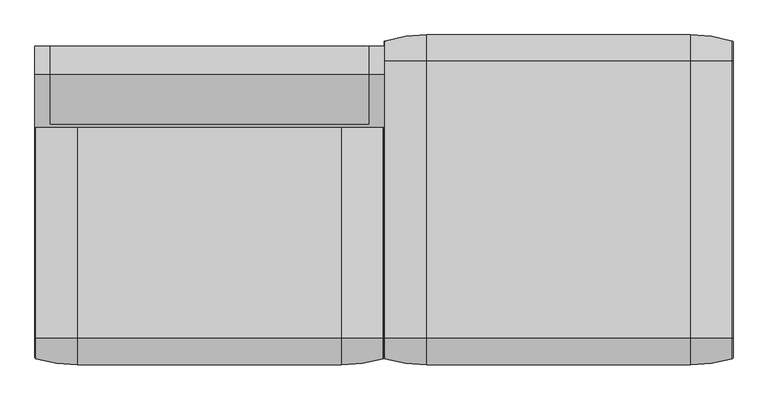
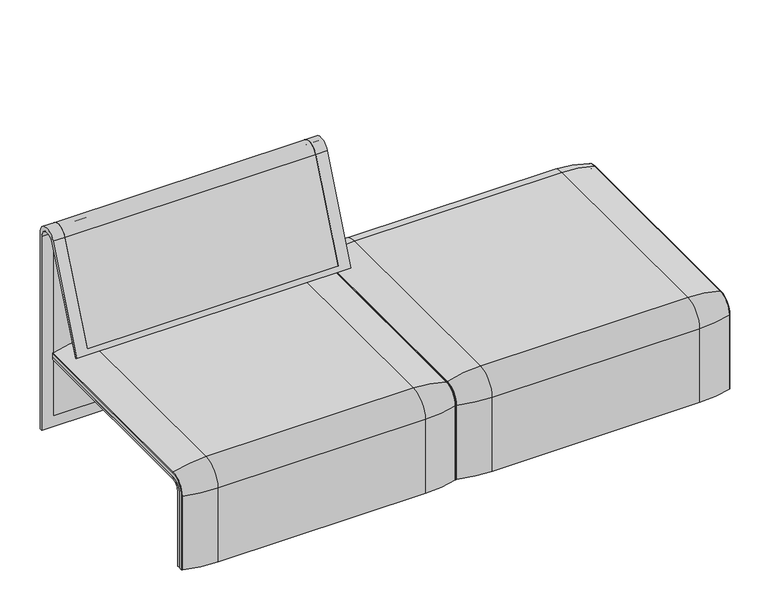
"""IFC4 building model written with IfcOpenShell, lengths in millimetres: furniture geometry."""

from ifc_helpers import new_model, si_unit, point, frame, frame_2d, origin, place, context, project, spatial, polyline, circle_curve, ellipse_curve, trimmed, segment, composite_curve, outline, extrude, source, transform, mapped, element, save
from ifc_brep_helpers import plane_surface, cylinder_surface, revolved_surface, advanced_brep


def furniture_03d71e8d(model_context):
    return source(origin(), model_context, "Body", "SolidModel", [
        advanced_brep(
        [(-407.9906244, -368.7793679, 100.5089435), (-407.9906244, -357.5, 100.5089435), (407.9906244, -357.5, 100.5089435), (407.9906244, -368.7793679, 100.5089435), (405.8519959, -371.6530483, 100.5089435), (307.9906244, -386.0043559, 100.5089435), (-307.9906244, -386.0043559, 100.5089435), (-405.8519959, -371.6530483, 100.5089435), (-407.9906244, 368.7793679, 100.5089435), (-405.8519959, 371.6530483, 100.5089435), (-307.9906244, 386.0043559, 100.5089435), (307.9906244, 386.0043559, 100.5089435), (405.8519959, 371.6530483, 100.5089435), (407.9906244, 368.7793679, 100.5089435), (407.9906244, 357.5, 100.5089435), (-407.9906244, 357.5, 100.5089435), (-407.9906244, -368.7793679, 333.0583003), (-407.9906244, -324.3858663, 377.4518019), (-407.9906244, 324.3858663, 377.4518019), (-407.9906244, 368.7793679, 333.0583003), (-407.9906244, 357.5, 333.0583003), (-407.9906244, 324.3858663, 366.172434), (-407.9906244, -324.3858663, 366.172434), (-407.9906244, -357.5, 333.0583003), (407.9906244, -357.5, 333.0583003), (307.9906244, -386.0043559, 333.0583003), (-307.9906244, -386.0043559, 333.0583003), (-405.8519959, -371.6530483, 333.0583003), (407.9906244, -324.3858663, 366.172434), (-307.9906244, -324.3858663, 394.67679), (307.9906244, -324.3858663, 394.67679), (-405.8519959, -324.3858663, 380.3254823), (407.9906244, 324.3858663, 366.172434), (307.9906244, 324.3858663, 394.67679), (-307.9906244, 324.3858663, 394.67679), (-405.8519959, 324.3858663, 380.3254823), (407.9906244, 357.5, 333.0583003), (-307.9906244, 386.0043559, 333.0583003), (307.9906244, 386.0043559, 333.0583003), (-405.8519959, 371.6530483, 333.0583003), (407.9906244, 368.7793679, 333.0583003), (407.9906244, 324.3858663, 377.4518019), (407.9906244, -324.3858663, 377.4518019), (407.9906244, -368.7793679, 333.0583003), (405.8519959, -371.6530483, 333.0583003), (405.8519959, -324.3858663, 380.3254823), (405.8519959, 324.3858663, 380.3254823), (405.8519959, 371.6530483, 333.0583003)],
        [
            (0, 1),
            (1, 2),
            (2, 3),
            (3, 4, circle_curve(frame((404.9906244, -368.7793679, 100.5089435), z_axis=(0.0, 0.0, -1.0), x_axis=(-1.0, 0.0, 0.0)), 3.0)),
            (4, 5, circle_curve(frame((307.9906244, -45.1710226, 100.5089435), z_axis=(0.0, 0.0, -1.0), x_axis=(0.0, 1.0, 0.0)), 340.8333333)),
            (5, 6),
            (6, 7, circle_curve(frame((-307.9906244, -45.1710226, 100.5089435), z_axis=(0.0, 0.0, -1.0), x_axis=(0.0, 1.0, 0.0)), 340.8333333)),
            (7, 0, circle_curve(frame((-404.9906244, -368.7793679, 100.5089435), z_axis=(0.0, 0.0, -1.0), x_axis=(1.0, 0.0, 0.0)), 3.0)),
            (8, 9, circle_curve(frame((-404.9906244, 368.7793679, 100.5089435), z_axis=(0.0, 0.0, -1.0), x_axis=(1.0, 0.0, 0.0)), 3.0)),
            (9, 10, circle_curve(frame((-307.9906244, 45.1710226, 100.5089435), z_axis=(0.0, 0.0, -1.0), x_axis=(0.0, -1.0, 0.0)), 340.8333333)),
            (10, 11),
            (11, 12, circle_curve(frame((307.9906244, 45.1710226, 100.5089435), z_axis=(0.0, 0.0, -1.0), x_axis=(0.0, -1.0, 0.0)), 340.8333333)),
            (12, 13, circle_curve(frame((404.9906244, 368.7793679, 100.5089435), z_axis=(0.0, 0.0, -1.0), x_axis=(-1.0, 0.0, 0.0)), 3.0)),
            (13, 14),
            (14, 15),
            (15, 8),
            (0, 16),
            (16, 17, circle_curve(frame((-407.9906244, -324.3858663, 333.0583003), z_axis=(-1.0, 0.0, 0.0), x_axis=(0.0, -1.0, 0.0)), 44.3935016)),
            (17, 18),
            (18, 19, circle_curve(frame((-407.9906244, 324.3858663, 333.0583003), z_axis=(-1.0, 0.0, 0.0), x_axis=(0.0, 0.0, 1.0)), 44.3935016)),
            (19, 8),
            (15, 20),
            (20, 21, circle_curve(frame((-407.9906244, 324.3858663, 333.0583003), z_axis=(1.0, 0.0, 0.0), x_axis=(0.0, 0.0, 1.0)), 33.1141337)),
            (21, 22),
            (22, 23, circle_curve(frame((-407.9906244, -324.3858663, 333.0583003), z_axis=(1.0, 0.0, 0.0), x_axis=(0.0, -1.0, 0.0)), 33.1141337)),
            (23, 1),
            (23, 24),
            (24, 2),
            (5, 25),
            (25, 26),
            (26, 6),
            (26, 27, circle_curve(frame((-307.9906244, -45.1710226, 333.0583003), z_axis=(0.0, 0.0, -1.0), x_axis=(0.0, 1.0, 0.0)), 340.8333333)),
            (27, 7),
            (27, 16, circle_curve(frame((-404.9906244, -368.7793679, 333.0583003), z_axis=(0.0, 0.0, -1.0), x_axis=(1.0, 0.0, 0.0)), 3.0)),
            (28, 24, circle_curve(frame((407.9906244, -324.3858663, 333.0583003), z_axis=(1.0, 0.0, 0.0), x_axis=(0.0, -1.0, 0.0)), 33.1141337)),
            (22, 28),
            (29, 26, circle_curve(frame((-307.9906244, -324.3858663, 333.0583003), z_axis=(1.0, 0.0, 0.0), x_axis=(0.0, -1.0, 0.0)), 61.6184897)),
            (25, 30, circle_curve(frame((307.9906244, -324.3858663, 333.0583003), z_axis=(-1.0, 0.0, 0.0), x_axis=(0.0, -1.0, 0.0)), 61.6184897)),
            (30, 29),
            (31, 27, circle_curve(frame((-405.8519959, -324.3858663, 333.0583003), z_axis=(1.0, 0.0, 0.0), x_axis=(0.0, -1.0, 0.0)), 47.267182)),
            (29, 31, circle_curve(frame((-307.9906244, -324.3858663, 53.8434566), z_axis=(0.0, -1.0, 0.0), x_axis=(0.0, 0.0, -1.0)), 340.8333333)),
            (31, 17, circle_curve(frame((-404.9906244, -324.3858663, 377.4518019), z_axis=(0.0, -1.0, 0.0), x_axis=(1.0, 0.0, 0.0)), 3.0)),
            (21, 32),
            (32, 28),
            (30, 33),
            (33, 34),
            (34, 29),
            (34, 35, circle_curve(frame((-307.9906244, 324.3858663, 53.8434566), z_axis=(0.0, -1.0, 0.0), x_axis=(0.0, 0.0, -1.0)), 340.8333333)),
            (35, 31),
            (35, 18, circle_curve(frame((-404.9906244, 324.3858663, 377.4518019), z_axis=(0.0, -1.0, 0.0), x_axis=(1.0, 0.0, 0.0)), 3.0)),
            (36, 32, circle_curve(frame((407.9906244, 324.3858663, 333.0583003), z_axis=(1.0, 0.0, 0.0), x_axis=(0.0, 0.0, 1.0)), 33.1141337)),
            (20, 36),
            (37, 34, circle_curve(frame((-307.9906244, 324.3858663, 333.0583003), z_axis=(1.0, 0.0, 0.0), x_axis=(0.0, 0.0, 1.0)), 61.6184897)),
            (33, 38, circle_curve(frame((307.9906244, 324.3858663, 333.0583003), z_axis=(-1.0, 0.0, 0.0), x_axis=(0.0, 0.0, 1.0)), 61.6184897)),
            (38, 37),
            (39, 35, circle_curve(frame((-405.8519959, 324.3858663, 333.0583003), z_axis=(1.0, 0.0, 0.0), x_axis=(0.0, 0.0, 1.0)), 47.267182)),
            (37, 39, circle_curve(frame((-307.9906244, 45.1710226, 333.0583003), z_axis=(0.0, 0.0, 1.0), x_axis=(0.0, -1.0, 0.0)), 340.8333333)),
            (39, 19, circle_curve(frame((-404.9906244, 368.7793679, 333.0583003), z_axis=(0.0, 0.0, 1.0), x_axis=(1.0, 0.0, 0.0)), 3.0)),
            (14, 36),
            (38, 11),
            (10, 37),
            (9, 39),
            (13, 40),
            (40, 41, circle_curve(frame((407.9906244, 324.3858663, 333.0583003), z_axis=(1.0, 0.0, 0.0), x_axis=(0.0, 0.0, 1.0)), 44.3935016)),
            (41, 42),
            (42, 43, circle_curve(frame((407.9906244, -324.3858663, 333.0583003), z_axis=(1.0, 0.0, 0.0), x_axis=(0.0, -1.0, 0.0)), 44.3935016)),
            (43, 3),
            (43, 44, circle_curve(frame((404.9906244, -368.7793679, 333.0583003), z_axis=(0.0, 0.0, -1.0), x_axis=(-1.0, 0.0, 0.0)), 3.0)),
            (44, 4),
            (44, 25, circle_curve(frame((307.9906244, -45.1710226, 333.0583003), z_axis=(0.0, 0.0, -1.0), x_axis=(0.0, 1.0, 0.0)), 340.8333333)),
            (45, 44, circle_curve(frame((405.8519959, -324.3858663, 333.0583003), z_axis=(1.0, 0.0, 0.0), x_axis=(0.0, -1.0, 0.0)), 47.267182)),
            (42, 45, circle_curve(frame((404.9906244, -324.3858663, 377.4518019), z_axis=(0.0, -1.0, 0.0), x_axis=(-1.0, 0.0, 0.0)), 3.0)),
            (45, 30, circle_curve(frame((307.9906244, -324.3858663, 53.8434566), z_axis=(0.0, -1.0, 0.0), x_axis=(0.0, 0.0, -1.0)), 340.8333333)),
            (41, 46, circle_curve(frame((404.9906244, 324.3858663, 377.4518019), z_axis=(0.0, -1.0, 0.0), x_axis=(-1.0, 0.0, 0.0)), 3.0)),
            (46, 45),
            (46, 33, circle_curve(frame((307.9906244, 324.3858663, 53.8434566), z_axis=(0.0, -1.0, 0.0), x_axis=(0.0, 0.0, -1.0)), 340.8333333)),
            (47, 46, circle_curve(frame((405.8519959, 324.3858663, 333.0583003), z_axis=(1.0, 0.0, 0.0), x_axis=(0.0, 0.0, 1.0)), 47.267182)),
            (40, 47, circle_curve(frame((404.9906244, 368.7793679, 333.0583003), z_axis=(0.0, 0.0, 1.0), x_axis=(-1.0, 0.0, 0.0)), 3.0)),
            (47, 38, circle_curve(frame((307.9906244, 45.1710226, 333.0583003), z_axis=(0.0, 0.0, 1.0), x_axis=(0.0, -1.0, 0.0)), 340.8333333)),
            (12, 47),
        ],
        [
            plane_surface(frame((-407.9906244, -357.5, 100.5089435), z_axis=(0.0, 0.0, -1.0), x_axis=(1.0, 0.0, 0.0))),
            plane_surface(frame((-407.9906244, 357.5, 100.5089435), z_axis=(0.0, 0.0, -1.0), x_axis=(1.0, 0.0, 0.0))),
            plane_surface(frame((-407.9906244, -368.7793679, 100.5089435), z_axis=(-1.0, 0.0, 0.0), x_axis=(0.0, 0.0, 1.0))),
            plane_surface(frame((-407.9906244, -357.5, 100.5089435), z_axis=(0.0, 1.0, 0.0), x_axis=(0.0, 0.0, 1.0))),
            plane_surface(frame((307.9906244, -386.0043559, 100.5089435), z_axis=(0.0, -1.0, 0.0), x_axis=(0.0, 0.0, 1.0))),
            cylinder_surface(frame((-307.9906244, -45.1710226, 100.5089435), z_axis=(0.0, 0.0, -1.0), x_axis=(0.0, 1.0, 0.0)), 340.8333333),
            cylinder_surface(frame((-404.9906244, -368.7793679, 100.5089435), z_axis=(0.0, 0.0, -1.0), x_axis=(1.0, 0.0, 0.0)), 3.0),
            revolved_surface(polyline([(-407.9906244, -357.5, 333.0583003), (407.9906244, -357.5, 333.0583003)]), (-407.9906244, -324.3858663, 333.0583003), (-1.0, 0.0, 0.0)),
            cylinder_surface(frame((-407.9906244, -324.3858663, 333.0583003), z_axis=(-1.0, 0.0, 0.0), x_axis=(0.0, -1.0, 0.0)), 61.6184897),
            revolved_surface(trimmed(ellipse_curve(frame((-307.9906244, -45.1710226, 333.0583003), z_axis=(0.0, 0.0, -1.0), x_axis=(0.0, 1.0, 0.0)), 340.8333333, 340.8333333), [point((-307.9906244, -386.0043559, 333.0583003))], [point((-405.8519959, -371.6530483, 333.0583003))], True, "CARTESIAN"), (-407.9906244, -324.3858663, 333.0583003), (-1.0, 0.0, 0.0)),
            revolved_surface(trimmed(ellipse_curve(frame((-404.9906244, -368.7793679, 333.0583003), z_axis=(0.0, 0.0, -1.0), x_axis=(1.0, 0.0, 0.0)), 3.0, 3.0), [point((-405.8519959, -371.6530483, 333.0583003))], [point((-407.9906244, -368.7793679, 333.0583003))], True, "CARTESIAN"), (-407.9906244, -324.3858663, 333.0583003), (-1.0, 0.0, 0.0)),
            plane_surface(frame((-407.9906244, -324.3858663, 366.172434), z_axis=(0.0, 0.0, -1.0), x_axis=(0.0, 1.0, 0.0))),
            plane_surface(frame((307.9906244, -324.3858663, 394.67679), z_axis=(0.0, 0.0, 1.0), x_axis=(0.0, 1.0, 0.0))),
            cylinder_surface(frame((-307.9906244, -324.3858663, 53.8434566), z_axis=(0.0, -1.0, 0.0), x_axis=(0.0, 0.0, -1.0)), 340.8333333),
            cylinder_surface(frame((-404.9906244, -324.3858663, 377.4518019), z_axis=(0.0, -1.0, 0.0), x_axis=(1.0, 0.0, 0.0)), 3.0),
            revolved_surface(polyline([(-407.9906244, 324.3858663, 366.17243399999995), (407.9906244, 324.3858663, 366.17243399999995)]), (-407.9906244, 324.3858663, 333.0583003), (-1.0, 0.0, 0.0)),
            cylinder_surface(frame((-407.9906244, 324.3858663, 333.0583003), z_axis=(-1.0, 0.0, 0.0), x_axis=(0.0, 0.0, 1.0)), 61.6184897),
            revolved_surface(trimmed(ellipse_curve(frame((-307.9906244, 324.3858663, 53.8434566), z_axis=(0.0, -1.0, 0.0), x_axis=(0.0, 0.0, -1.0)), 340.8333333, 340.8333333), [point((-307.9906244, 324.3858663, 394.67679))], [point((-405.8519959, 324.3858663, 380.3254823))], True, "CARTESIAN"), (-407.9906244, 324.3858663, 333.0583003), (-1.0, 0.0, 0.0)),
            revolved_surface(trimmed(ellipse_curve(frame((-404.9906244, 324.3858663, 377.4518019), z_axis=(0.0, -1.0, 0.0), x_axis=(1.0, 0.0, 0.0)), 3.0, 3.0), [point((-405.8519959, 324.3858663, 380.3254823))], [point((-407.9906244, 324.3858663, 377.4518019))], True, "CARTESIAN"), (-407.9906244, 324.3858663, 333.0583003), (-1.0, 0.0, 0.0)),
            plane_surface(frame((-407.9906244, 357.5, 333.0583003), z_axis=(0.0, -1.0, 0.0), x_axis=(0.0, 0.0, -1.0))),
            plane_surface(frame((307.9906244, 386.0043559, 333.0583003), z_axis=(0.0, 1.0, 0.0), x_axis=(0.0, 0.0, -1.0))),
            cylinder_surface(frame((-307.9906244, 45.1710226, 333.0583003), z_axis=(0.0, 0.0, 1.0), x_axis=(0.0, -1.0, 0.0)), 340.8333333),
            cylinder_surface(frame((-404.9906244, 368.7793679, 333.0583003), z_axis=(0.0, 0.0, 1.0), x_axis=(1.0, 0.0, 0.0)), 3.0),
            plane_surface(frame((407.9906244, -357.5, 100.5089435), z_axis=(1.0, 0.0, 0.0), x_axis=(0.0, 0.0, 1.0))),
            cylinder_surface(frame((404.9906244, -368.7793679, 100.5089435), z_axis=(0.0, 0.0, -1.0), x_axis=(-1.0, 0.0, 0.0)), 3.0),
            cylinder_surface(frame((307.9906244, -45.1710226, 100.5089435), z_axis=(0.0, 0.0, -1.0), x_axis=(0.0, 1.0, 0.0)), 340.8333333),
            revolved_surface(trimmed(ellipse_curve(frame((404.9906244, -368.7793679, 333.0583003), z_axis=(0.0, 0.0, -1.0), x_axis=(-1.0, 0.0, 0.0)), 3.0, 3.0), [point((407.9906244, -368.7793679, 333.0583003))], [point((405.8519959, -371.6530483, 333.0583003))], True, "CARTESIAN"), (-407.9906244, -324.3858663, 333.0583003), (-1.0, 0.0, 0.0)),
            revolved_surface(trimmed(ellipse_curve(frame((307.9906244, -45.1710226, 333.0583003), z_axis=(0.0, 0.0, -1.0), x_axis=(0.0, 1.0, 0.0)), 340.8333333, 340.8333333), [point((405.8519959, -371.6530483, 333.0583003))], [point((307.9906244, -386.0043559, 333.0583003))], True, "CARTESIAN"), (-407.9906244, -324.3858663, 333.0583003), (-1.0, 0.0, 0.0)),
            cylinder_surface(frame((404.9906244, -324.3858663, 377.4518019), z_axis=(0.0, -1.0, 0.0), x_axis=(-1.0, 0.0, 0.0)), 3.0),
            cylinder_surface(frame((307.9906244, -324.3858663, 53.8434566), z_axis=(0.0, -1.0, 0.0), x_axis=(0.0, 0.0, -1.0)), 340.8333333),
            revolved_surface(trimmed(ellipse_curve(frame((404.9906244, 324.3858663, 377.4518019), z_axis=(0.0, -1.0, 0.0), x_axis=(-1.0, 0.0, 0.0)), 3.0, 3.0), [point((407.9906244, 324.3858663, 377.4518019))], [point((405.8519959, 324.3858663, 380.3254823))], True, "CARTESIAN"), (-407.9906244, 324.3858663, 333.0583003), (-1.0, 0.0, 0.0)),
            revolved_surface(trimmed(ellipse_curve(frame((307.9906244, 324.3858663, 53.8434566), z_axis=(0.0, -1.0, 0.0), x_axis=(0.0, 0.0, -1.0)), 340.8333333, 340.8333333), [point((405.8519959, 324.3858663, 380.3254823))], [point((307.9906244, 324.3858663, 394.67679))], True, "CARTESIAN"), (-407.9906244, 324.3858663, 333.0583003), (-1.0, 0.0, 0.0)),
            cylinder_surface(frame((404.9906244, 368.7793679, 333.0583003), z_axis=(0.0, 0.0, 1.0), x_axis=(-1.0, 0.0, 0.0)), 3.0),
            cylinder_surface(frame((307.9906244, 45.1710226, 333.0583003), z_axis=(0.0, 0.0, 1.0), x_axis=(0.0, -1.0, 0.0)), 340.8333333),
        ],
        [
            (0, [[1, 2, 3, 4, 5, 6, 7, 8]]),
            (1, [[9, 10, 11, 12, 13, 14, 15, 16]]),
            (2, [[-1, 17, 18, 19, 20, 21, -16, 22, 23, 24, 25, 26]]),
            (3, [[-2, -26, 27, 28]]),
            (4, [[-6, 29, 30, 31]]),
            (5, [[-7, -31, 32, 33]]),
            (6, [[-8, -33, 34, -17]]),
            (7, [[35, -27, -25, 36]]),
            (8, [[37, -30, 38, 39]]),
            (9, [[40, -32, -37, 41]]),
            (10, [[-18, -34, -40, 42]]),
            (11, [[-36, -24, 43, 44]]),
            (12, [[-39, 45, 46, 47]]),
            (13, [[-41, -47, 48, 49]]),
            (14, [[-42, -49, 50, -19]]),
            (15, [[51, -43, -23, 52]]),
            (16, [[53, -46, 54, 55]]),
            (17, [[56, -48, -53, 57]]),
            (18, [[-20, -50, -56, 58]]),
            (19, [[-52, -22, -15, 59]]),
            (20, [[-55, 60, -11, 61]]),
            (21, [[-57, -61, -10, 62]]),
            (22, [[-58, -62, -9, -21]]),
            (23, [[-3, -28, -35, -44, -51, -59, -14, 63, 64, 65, 66, 67]]),
            (24, [[-4, -67, 68, 69]]),
            (25, [[-5, -69, 70, -29]]),
            (26, [[71, -68, -66, 72]]),
            (27, [[-38, -70, -71, 73]]),
            (28, [[-72, -65, 74, 75]]),
            (29, [[-73, -75, 76, -45]]),
            (30, [[77, -74, -64, 78]]),
            (31, [[-54, -76, -77, 79]]),
            (32, [[-78, -63, -13, 80]]),
            (33, [[-79, -80, -12, -60]]),
        ],
    ),
        advanced_brep(
        [(-1223.9718733, 295.0, 359.922434), (-1223.9718733, -323.7517936, 359.922434), (-1223.9718733, -351.0, 332.6742277), (-1223.9718733, -351.0, 100.5089435), (-1223.9718733, -357.5, 100.5089435), (-1223.9718733, -357.5, 333.0583003), (-1223.9718733, -324.3858663, 366.172434), (-1223.9718733, 295.0, 366.172434), (-407.9906244, 295.0, 359.922434), (-407.9906244, 295.0, 366.172434), (-407.9906244, -324.3858663, 366.172434), (-407.9906244, -357.5, 333.0583003), (-407.9906244, -357.5, 100.5089435), (-407.9906244, -351.0, 100.5089435), (-407.9906244, -351.0, 332.6742277), (-407.9906244, -323.7517936, 359.922434), (-1189.0718733, -324.3858663, 366.172434), (-1189.0718733, 260.0, 366.172434), (-442.8906244, 260.0, 366.172434), (-442.8906244, -324.3858663, 366.172434), (-1189.0718733, -357.5, 333.0583003), (-442.8906244, -357.5, 333.0583003), (-442.8906244, -357.5, 135.3766997), (-1189.0718733, -357.5, 135.3766997), (-1189.0718733, -351.0, 332.6742277), (-1189.0718733, -351.0, 135.3766997), (-442.8906244, -351.0, 135.3766997), (-442.8906244, -351.0, 332.6742277), (-1189.0718733, -323.7517936, 359.922434), (-442.8906244, -323.7517936, 359.922434), (-442.8906244, 260.0, 359.922434), (-1189.0718733, 260.0, 359.922434)],
        [
            (0, 1),
            (1, 2, circle_curve(frame((-1223.9718733, -323.7517936, 332.6742277), z_axis=(1.0, 0.0, 0.0), x_axis=(0.0, -1.0, 0.0)), 27.2482064)),
            (2, 3),
            (3, 4),
            (4, 5),
            (5, 6, circle_curve(frame((-1223.9718733, -324.3858663, 333.0583003), z_axis=(-1.0, 0.0, 0.0), x_axis=(0.0, -1.0, 0.0)), 33.1141337)),
            (6, 7),
            (7, 0),
            (8, 9),
            (9, 10),
            (10, 11, circle_curve(frame((-407.9906244, -324.3858663, 333.0583003), z_axis=(1.0, 0.0, 0.0), x_axis=(0.0, -1.0, 0.0)), 33.1141337)),
            (11, 12),
            (12, 13),
            (13, 14),
            (14, 15, circle_curve(frame((-407.9906244, -323.7517936, 332.6742277), z_axis=(-1.0, 0.0, 0.0), x_axis=(0.0, -1.0, 0.0)), 27.2482064)),
            (15, 8),
            (7, 9),
            (8, 0),
            (6, 16),
            (16, 17),
            (17, 18),
            (18, 19),
            (19, 10),
            (5, 20),
            (20, 16, circle_curve(frame((-1189.0718733, -324.3858663, 333.0583003), z_axis=(-1.0, 0.0, 0.0), x_axis=(0.0, -1.0, 0.0)), 33.1141337)),
            (19, 21, circle_curve(frame((-442.8906244, -324.3858663, 333.0583003), z_axis=(1.0, 0.0, 0.0), x_axis=(0.0, -1.0, 0.0)), 33.1141337)),
            (21, 11),
            (4, 12),
            (21, 22),
            (22, 23),
            (23, 20),
            (3, 13),
            (2, 24),
            (24, 25),
            (25, 26),
            (26, 27),
            (27, 14),
            (1, 28),
            (28, 24, circle_curve(frame((-1189.0718733, -323.7517936, 332.6742277), z_axis=(1.0, 0.0, 0.0), x_axis=(0.0, -1.0, 0.0)), 27.2482064)),
            (27, 29, circle_curve(frame((-442.8906244, -323.7517936, 332.6742277), z_axis=(-1.0, 0.0, 0.0), x_axis=(0.0, -1.0, 0.0)), 27.2482064)),
            (29, 15),
            (29, 30),
            (30, 31),
            (31, 28),
            (31, 17),
            (23, 25),
            (26, 22),
            (18, 30),
        ],
        [
            plane_surface(frame((-1223.9718733, -296.9265415, 359.922434), z_axis=(-1.0, 0.0, 0.0), x_axis=(0.0, -1.0, 0.0))),
            plane_surface(frame((-407.9906244, -296.9265415, 359.922434), z_axis=(1.0, 0.0, 0.0), x_axis=(0.0, 1.0, 0.0))),
            plane_surface(frame((-1223.9718733, 295.0, 366.172434), z_axis=(0.0, 1.0, 0.0), x_axis=(1.0, 0.0, 0.0))),
            plane_surface(frame((-1223.9718733, -324.3858663, 366.172434), z_axis=(0.0, 0.0, 1.0), x_axis=(1.0, 0.0, 0.0))),
            cylinder_surface(frame((-407.9906244, -324.3858663, 333.0583003), z_axis=(-1.0, 0.0, 0.0), x_axis=(0.0, -1.0, 0.0)), 33.1141337),
            plane_surface(frame((-1223.9718733, -357.5, 100.5089435), z_axis=(0.0, -1.0, 0.0), x_axis=(1.0, 0.0, 0.0))),
            plane_surface(frame((-1223.9718733, -351.0, 100.5089435), z_axis=(0.0, 0.0, -1.0), x_axis=(1.0, 0.0, 0.0))),
            plane_surface(frame((-1223.9718733, -351.0, 332.6742277), z_axis=(0.0, 1.0, 0.0), x_axis=(1.0, 0.0, 0.0))),
            revolved_surface(polyline([(-1189.0718733, -351.0, 332.6742277), (-1223.9718733, -351.0, 332.6742277)]), (-407.9906244, -323.7517936, 332.6742277), (1.0, 0.0, 0.0)),
            revolved_surface(polyline([(-407.9906244, -351.0, 332.6742277), (-442.8906244, -351.0, 332.6742277)]), (-407.9906244, -323.7517936, 332.6742277), (1.0, 0.0, 0.0)),
            plane_surface(frame((-1223.9718733, 295.0, 359.922434), z_axis=(0.0, 0.0, -1.0), x_axis=(1.0, 0.0, 0.0))),
            plane_surface(frame((-1189.0718733, -296.9265415, 359.922434), z_axis=(1.0, 0.0, 0.0), x_axis=(0.0, -1.0, 0.0))),
            plane_surface(frame((-442.8906244, -296.9265415, 359.922434), z_axis=(-1.0, 0.0, 0.0), x_axis=(0.0, 1.0, 0.0))),
            plane_surface(frame((-1189.0718733, 260.0, 366.172434), z_axis=(0.0, -1.0, 0.0), x_axis=(1.0, 0.0, 0.0))),
            plane_surface(frame((-1189.0718733, -351.0, 135.3766997), z_axis=(0.0, 0.0, 1.0), x_axis=(1.0, 0.0, 0.0))),
        ],
        [
            (0, [[1, 2, 3, 4, 5, 6, 7, 8]]),
            (1, [[9, 10, 11, 12, 13, 14, 15, 16]]),
            (2, [[-8, 17, -9, 18]]),
            (3, [[-7, 19, 20, 21, 22, 23, -10, -17]]),
            (4, [[-6, 24, 25, -19]]),
            (4, [[-11, -23, 26, 27]]),
            (5, [[-5, 28, -12, -27, 29, 30, 31, -24]]),
            (6, [[-4, 32, -13, -28]]),
            (7, [[-3, 33, 34, 35, 36, 37, -14, -32]]),
            (8, [[-2, 38, 39, -33]]),
            (9, [[-15, -37, 40, 41]]),
            (10, [[-1, -18, -16, -41, 42, 43, 44, -38]]),
            (11, [[45, -20, -25, -31, 46, -34, -39, -44]]),
            (12, [[47, -29, -26, -22, 48, -42, -40, -36]]),
            (13, [[-45, -43, -48, -21]]),
            (14, [[-46, -30, -47, -35]]),
        ],
    ),
        extrude(outline(composite_curve([segment(polyline([(260.0, 359.922434), (-323.7517936, 359.922434)]), True, "CONTINUOUS"), segment(trimmed(circle_curve(frame_2d((-323.7517936, 332.6742277)), 27.2482064), [point((-323.7517936, 359.922434))], [point((-351.0, 332.6742277))], True, "CARTESIAN"), True, "CONTINUOUS"), segment(polyline([(-351.0, 332.6742277), (-351.0, 135.3766997), (-357.5, 135.3766997), (-357.5, 333.0583003)]), True, "CONTINUOUS"), segment(trimmed(circle_curve(frame_2d((-324.3858663, 333.0583003)), 33.1141337), [point((-357.5, 333.0583003))], [point((-324.3858663, 366.172434))], False, "CARTESIAN"), True, "CONTINUOUS"), segment(polyline([(-324.3858663, 366.172434), (260.0, 366.172434), (260.0, 359.922434)]), True, "CONTINUOUS")], self_intersect=False)), frame((-1189.0718733, 0.0, 0.0), z_axis=(1.0, 0.0, 0.0), x_axis=(0.0, 1.0, 0.0)), (0.0, 0.0, 1.0), 746.1812488),
        advanced_brep(
        [(-1223.9718733, -368.7793679, 100.5089435), (-1223.9718733, -357.5, 100.5089435), (-407.9906244, -357.5, 100.5089435), (-407.9906244, -368.7793679, 100.5089435), (-410.1292529, -371.6530483, 100.5089435), (-507.9906244, -386.0043559, 100.5089435), (-1123.9718733, -386.0043559, 100.5089435), (-1221.8332448, -371.6530483, 100.5089435), (-1223.9718733, 295.0, 377.4518019), (-1221.8332448, 295.0, 380.3254823), (-1123.9718733, 295.0, 394.67679), (-507.9906244, 295.0, 394.67679), (-410.1292529, 295.0, 380.3254823), (-407.9906244, 295.0, 377.4518019), (-407.9906244, 295.0, 366.172434), (-1223.9718733, 295.0, 366.172434), (-1223.9718733, -368.7793679, 333.0583003), (-1223.9718733, -324.3858663, 377.4518019), (-1223.9718733, -324.3858663, 366.172434), (-1223.9718733, -357.5, 333.0583003), (-407.9906244, -357.5, 333.0583003), (-507.9906244, -386.0043559, 333.0583003), (-1123.9718733, -386.0043559, 333.0583003), (-1221.8332448, -371.6530483, 333.0583003), (-407.9906244, -324.3858663, 366.172434), (-1123.9718733, -324.3858663, 394.67679), (-507.9906244, -324.3858663, 394.67679), (-1221.8332448, -324.3858663, 380.3254823), (-407.9906244, -324.3858663, 377.4518019), (-407.9906244, -368.7793679, 333.0583003), (-410.1292529, -371.6530483, 333.0583003), (-410.1292529, -324.3858663, 380.3254823)],
        [
            (0, 1),
            (1, 2),
            (2, 3),
            (3, 4, circle_curve(frame((-410.9906244, -368.7793679, 100.5089435), z_axis=(0.0, 0.0, -1.0), x_axis=(-1.0, 0.0, 0.0)), 3.0)),
            (4, 5, circle_curve(frame((-507.9906244, -45.1710226, 100.5089435), z_axis=(0.0, 0.0, -1.0), x_axis=(0.0, 1.0, 0.0)), 340.8333333)),
            (5, 6),
            (6, 7, circle_curve(frame((-1123.9718733, -45.1710226, 100.5089435), z_axis=(0.0, 0.0, -1.0), x_axis=(0.0, 1.0, 0.0)), 340.8333333)),
            (7, 0, circle_curve(frame((-1220.9718733, -368.7793679, 100.5089435), z_axis=(0.0, 0.0, -1.0), x_axis=(1.0, 0.0, 0.0)), 3.0)),
            (8, 9, circle_curve(frame((-1220.9718733, 295.0, 377.4518019), z_axis=(0.0, 1.0, 0.0), x_axis=(1.0, 0.0, 0.0)), 3.0)),
            (9, 10, circle_curve(frame((-1123.9718733, 295.0, 53.8434566), z_axis=(0.0, 1.0, 0.0), x_axis=(0.0, 0.0, -1.0)), 340.8333333)),
            (10, 11),
            (11, 12, circle_curve(frame((-507.9906244, 295.0, 53.8434566), z_axis=(0.0, 1.0, 0.0), x_axis=(0.0, 0.0, -1.0)), 340.8333333)),
            (12, 13, circle_curve(frame((-410.9906244, 295.0, 377.4518019), z_axis=(0.0, 1.0, 0.0), x_axis=(-1.0, 0.0, 0.0)), 3.0)),
            (13, 14),
            (14, 15),
            (15, 8),
            (0, 16),
            (16, 17, circle_curve(frame((-1223.9718733, -324.3858663, 333.0583003), z_axis=(-1.0, 0.0, 0.0), x_axis=(0.0, -1.0, 0.0)), 44.3935016)),
            (17, 8),
            (15, 18),
            (18, 19, circle_curve(frame((-1223.9718733, -324.3858663, 333.0583003), z_axis=(1.0, 0.0, 0.0), x_axis=(0.0, -1.0, 0.0)), 33.1141337)),
            (19, 1),
            (19, 20),
            (20, 2),
            (5, 21),
            (21, 22),
            (22, 6),
            (22, 23, circle_curve(frame((-1123.9718733, -45.1710226, 333.0583003), z_axis=(0.0, 0.0, -1.0), x_axis=(0.0, 1.0, 0.0)), 340.8333333)),
            (23, 7),
            (23, 16, circle_curve(frame((-1220.9718733, -368.7793679, 333.0583003), z_axis=(0.0, 0.0, -1.0), x_axis=(1.0, 0.0, 0.0)), 3.0)),
            (24, 20, circle_curve(frame((-407.9906244, -324.3858663, 333.0583003), z_axis=(1.0, 0.0, 0.0), x_axis=(0.0, -1.0, 0.0)), 33.1141337)),
            (18, 24),
            (25, 22, circle_curve(frame((-1123.9718733, -324.3858663, 333.0583003), z_axis=(1.0, 0.0, 0.0), x_axis=(0.0, -1.0, 0.0)), 61.6184897)),
            (21, 26, circle_curve(frame((-507.9906244, -324.3858663, 333.0583003), z_axis=(-1.0, 0.0, 0.0), x_axis=(0.0, -1.0, 0.0)), 61.6184897)),
            (26, 25),
            (27, 23, circle_curve(frame((-1221.8332448, -324.3858663, 333.0583003), z_axis=(1.0, 0.0, 0.0), x_axis=(0.0, -1.0, 0.0)), 47.267182)),
            (25, 27, circle_curve(frame((-1123.9718733, -324.3858663, 53.8434566), z_axis=(0.0, -1.0, 0.0), x_axis=(0.0, 0.0, -1.0)), 340.8333333)),
            (27, 17, circle_curve(frame((-1220.9718733, -324.3858663, 377.4518019), z_axis=(0.0, -1.0, 0.0), x_axis=(1.0, 0.0, 0.0)), 3.0)),
            (14, 24),
            (26, 11),
            (10, 25),
            (9, 27),
            (13, 28),
            (28, 29, circle_curve(frame((-407.9906244, -324.3858663, 333.0583003), z_axis=(1.0, 0.0, 0.0), x_axis=(0.0, -1.0, 0.0)), 44.3935016)),
            (29, 3),
            (29, 30, circle_curve(frame((-410.9906244, -368.7793679, 333.0583003), z_axis=(0.0, 0.0, -1.0), x_axis=(-1.0, 0.0, 0.0)), 3.0)),
            (30, 4),
            (30, 21, circle_curve(frame((-507.9906244, -45.1710226, 333.0583003), z_axis=(0.0, 0.0, -1.0), x_axis=(0.0, 1.0, 0.0)), 340.8333333)),
            (31, 30, circle_curve(frame((-410.1292529, -324.3858663, 333.0583003), z_axis=(1.0, 0.0, 0.0), x_axis=(0.0, -1.0, 0.0)), 47.267182)),
            (28, 31, circle_curve(frame((-410.9906244, -324.3858663, 377.4518019), z_axis=(0.0, -1.0, 0.0), x_axis=(-1.0, 0.0, 0.0)), 3.0)),
            (31, 26, circle_curve(frame((-507.9906244, -324.3858663, 53.8434566), z_axis=(0.0, -1.0, 0.0), x_axis=(0.0, 0.0, -1.0)), 340.8333333)),
            (12, 31),
        ],
        [
            plane_surface(frame((-1223.9718733, -357.5, 100.5089435), z_axis=(0.0, 0.0, -1.0), x_axis=(1.0, 0.0, 0.0))),
            plane_surface(frame((-1223.9718733, 295.0, 366.172434), z_axis=(0.0, 1.0, 0.0), x_axis=(1.0, 0.0, 0.0))),
            plane_surface(frame((-1223.9718733, -368.7793679, 100.5089435), z_axis=(-1.0, 0.0, 0.0), x_axis=(0.0, 0.0, 1.0))),
            plane_surface(frame((-1223.9718733, -357.5, 100.5089435), z_axis=(0.0, 1.0, 0.0), x_axis=(0.0, 0.0, 1.0))),
            plane_surface(frame((-507.9906244, -386.0043559, 100.5089435), z_axis=(0.0, -1.0, 0.0), x_axis=(0.0, 0.0, 1.0))),
            cylinder_surface(frame((-1123.9718733, -45.1710226, 100.5089435), z_axis=(0.0, 0.0, -1.0), x_axis=(0.0, 1.0, 0.0)), 340.8333333),
            cylinder_surface(frame((-1220.9718733, -368.7793679, 100.5089435), z_axis=(0.0, 0.0, -1.0), x_axis=(1.0, 0.0, 0.0)), 3.0),
            revolved_surface(polyline([(-1223.9718733, -357.5, 333.0583003), (-407.9906244, -357.5, 333.0583003)]), (-1223.9718733, -324.3858663, 333.0583003), (-1.0, 0.0, 0.0)),
            cylinder_surface(frame((-1223.9718733, -324.3858663, 333.0583003), z_axis=(-1.0, 0.0, 0.0), x_axis=(0.0, -1.0, 0.0)), 61.6184897),
            revolved_surface(trimmed(ellipse_curve(frame((-1123.9718733, -45.1710226, 333.0583003), z_axis=(0.0, 0.0, -1.0), x_axis=(0.0, 1.0, 0.0)), 340.8333333, 340.8333333), [point((-1123.9718733, -386.0043559, 333.0583003))], [point((-1221.8332448, -371.6530483, 333.0583003))], True, "CARTESIAN"), (-1223.9718733, -324.3858663, 333.0583003), (-1.0, 0.0, 0.0)),
            revolved_surface(trimmed(ellipse_curve(frame((-1220.9718733, -368.7793679, 333.0583003), z_axis=(0.0, 0.0, -1.0), x_axis=(1.0, 0.0, 0.0)), 3.0, 3.0), [point((-1221.8332448, -371.6530483, 333.0583003))], [point((-1223.9718733, -368.7793679, 333.0583003))], True, "CARTESIAN"), (-1223.9718733, -324.3858663, 333.0583003), (-1.0, 0.0, 0.0)),
            plane_surface(frame((-1223.9718733, -324.3858663, 366.172434), z_axis=(0.0, 0.0, -1.0), x_axis=(0.0, 1.0, 0.0))),
            plane_surface(frame((-507.9906244, -324.3858663, 394.67679), z_axis=(0.0, 0.0, 1.0), x_axis=(0.0, 1.0, 0.0))),
            cylinder_surface(frame((-1123.9718733, -324.3858663, 53.8434566), z_axis=(0.0, -1.0, 0.0), x_axis=(0.0, 0.0, -1.0)), 340.8333333),
            cylinder_surface(frame((-1220.9718733, -324.3858663, 377.4518019), z_axis=(0.0, -1.0, 0.0), x_axis=(1.0, 0.0, 0.0)), 3.0),
            plane_surface(frame((-407.9906244, -357.5, 100.5089435), z_axis=(1.0, 0.0, 0.0), x_axis=(0.0, 0.0, 1.0))),
            cylinder_surface(frame((-410.9906244, -368.7793679, 100.5089435), z_axis=(0.0, 0.0, -1.0), x_axis=(-1.0, 0.0, 0.0)), 3.0),
            cylinder_surface(frame((-507.9906244, -45.1710226, 100.5089435), z_axis=(0.0, 0.0, -1.0), x_axis=(0.0, 1.0, 0.0)), 340.8333333),
            revolved_surface(trimmed(ellipse_curve(frame((-410.9906244, -368.7793679, 333.0583003), z_axis=(0.0, 0.0, -1.0), x_axis=(-1.0, 0.0, 0.0)), 3.0, 3.0), [point((-407.9906244, -368.7793679, 333.0583003))], [point((-410.1292529, -371.6530483, 333.0583003))], True, "CARTESIAN"), (-1223.9718733, -324.3858663, 333.0583003), (-1.0, 0.0, 0.0)),
            revolved_surface(trimmed(ellipse_curve(frame((-507.9906244, -45.1710226, 333.0583003), z_axis=(0.0, 0.0, -1.0), x_axis=(0.0, 1.0, 0.0)), 340.8333333, 340.8333333), [point((-410.1292529, -371.6530483, 333.0583003))], [point((-507.9906244, -386.0043559, 333.0583003))], True, "CARTESIAN"), (-1223.9718733, -324.3858663, 333.0583003), (-1.0, 0.0, 0.0)),
            cylinder_surface(frame((-410.9906244, -324.3858663, 377.4518019), z_axis=(0.0, -1.0, 0.0), x_axis=(-1.0, 0.0, 0.0)), 3.0),
            cylinder_surface(frame((-507.9906244, -324.3858663, 53.8434566), z_axis=(0.0, -1.0, 0.0), x_axis=(0.0, 0.0, -1.0)), 340.8333333),
        ],
        [
            (0, [[1, 2, 3, 4, 5, 6, 7, 8]]),
            (1, [[9, 10, 11, 12, 13, 14, 15, 16]]),
            (2, [[-1, 17, 18, 19, -16, 20, 21, 22]]),
            (3, [[-2, -22, 23, 24]]),
            (4, [[-6, 25, 26, 27]]),
            (5, [[-7, -27, 28, 29]]),
            (6, [[-8, -29, 30, -17]]),
            (7, [[31, -23, -21, 32]]),
            (8, [[33, -26, 34, 35]]),
            (9, [[36, -28, -33, 37]]),
            (10, [[-18, -30, -36, 38]]),
            (11, [[-32, -20, -15, 39]]),
            (12, [[-35, 40, -11, 41]]),
            (13, [[-37, -41, -10, 42]]),
            (14, [[-38, -42, -9, -19]]),
            (15, [[-3, -24, -31, -39, -14, 43, 44, 45]]),
            (16, [[-4, -45, 46, 47]]),
            (17, [[-5, -47, 48, -25]]),
            (18, [[49, -46, -44, 50]]),
            (19, [[-34, -48, -49, 51]]),
            (20, [[-50, -43, -13, 52]]),
            (21, [[-51, -52, -12, -40]]),
        ],
    ),
        advanced_brep(
        [(-407.9740803, 351.0000061, 101.8476716), (-407.9740803, 359.7858817, 101.8476716), (-407.9740803, 359.7858817, 720.3417731), (-407.9740803, 292.4403877, 733.7122262), (-407.9740803, 170.1966807, 437.98305), (-407.9740803, 175.0204081, 435.9866665), (-407.9740803, 296.2458652, 723.9869215), (-407.9740803, 351.0000061, 712.9272623), (-1223.9553291, 351.0000061, 101.8476716), (-1223.9553291, 351.0000061, 712.9272623), (-1223.9553291, 296.2720241, 723.9759107), (-1223.9553291, 175.0204081, 435.9866665), (-1223.9553291, 170.1966807, 437.98305), (-1223.9553291, 292.4403877, 733.7122262), (-1223.9553291, 359.7858817, 720.3417731), (-1223.9553291, 359.7858817, 101.8476716), (-442.8906244, 292.4403877, 733.7122262), (-442.8906244, 176.0980387, 452.25948), (-1189.0718733, 176.0980387, 452.25948), (-1189.0718733, 292.4403877, 733.7122262), (-1189.0718733, 296.2458652, 723.9869215), (-1189.0718733, 181.0136548, 450.2250668), (-442.8906244, 181.0136548, 450.2250668), (-442.8906244, 296.2458652, 723.9869215), (-442.8906244, 351.0000061, 712.9272623), (-442.8906244, 351.0000061, 135.3766997), (-1189.0718733, 351.0000061, 135.3766997), (-1189.0718733, 351.0000061, 712.9272623), (-1189.0718733, 359.7858817, 720.3417731), (-1189.0718733, 359.7858817, 135.3766997), (-442.8906244, 359.7858817, 135.3766997), (-442.8906244, 359.7858817, 720.3417731)],
        [
            (0, 1),
            (1, 2),
            (2, 3, circle_curve(frame((-407.9740803, 324.7858817, 720.3417731), z_axis=(1.0, 0.0, 0.0), x_axis=(0.0, -1.0, 0.0)), 35.0)),
            (3, 4),
            (4, 5),
            (5, 6),
            (6, 7, circle_curve(frame((-407.9740803, 322.520748, 712.9272623), z_axis=(-1.0, 0.0, 0.0), x_axis=(0.0, -1.0, 0.0)), 28.479258)),
            (7, 0),
            (8, 9),
            (9, 10, circle_curve(frame((-1223.9553291, 322.520748, 712.9272623), z_axis=(1.0, 0.0, 0.0), x_axis=(0.0, -1.0, 0.0)), 28.479258)),
            (10, 11),
            (11, 12),
            (12, 13),
            (13, 14, circle_curve(frame((-1223.9553291, 324.7858817, 720.3417731), z_axis=(-1.0, 0.0, 0.0), x_axis=(0.0, -1.0, 0.0)), 35.0)),
            (14, 15),
            (15, 8),
            (3, 16),
            (16, 17),
            (17, 18),
            (18, 19),
            (19, 13),
            (12, 4),
            (11, 5),
            (10, 20),
            (20, 21),
            (21, 22),
            (22, 23),
            (23, 6),
            (7, 24),
            (24, 25),
            (25, 26),
            (26, 27),
            (27, 9),
            (8, 0),
            (15, 1),
            (14, 28),
            (28, 29),
            (29, 30),
            (30, 31),
            (31, 2),
            (31, 16, circle_curve(frame((-442.8906244, 324.7858817, 720.3417731), z_axis=(1.0, 0.0, 0.0), x_axis=(0.0, -1.0, 0.0)), 35.0)),
            (19, 28, circle_curve(frame((-1189.0718733, 324.7858817, 720.3417731), z_axis=(-1.0, 0.0, 0.0), x_axis=(0.0, -1.0, 0.0)), 35.0)),
            (23, 24, circle_curve(frame((-442.8906244, 322.520748, 712.9272623), z_axis=(-1.0, 0.0, 0.0), x_axis=(0.0, -1.0, 0.0)), 28.479258)),
            (27, 20, circle_curve(frame((-1189.0718733, 322.520748, 712.9272623), z_axis=(1.0, 0.0, 0.0), x_axis=(0.0, -1.0, 0.0)), 28.479258)),
            (22, 17),
            (30, 25),
            (26, 29),
            (18, 21),
        ],
        [
            plane_surface(frame((-407.9740803, 359.7858817, 101.8476716), z_axis=(1.0, 0.0, 0.0), x_axis=(0.0, 1.0, 0.0))),
            plane_surface(frame((-1223.9553291, 359.7858817, 101.8476716), z_axis=(-1.0, 0.0, 0.0), x_axis=(0.0, -1.0, 0.0))),
            plane_surface(frame((-407.9740803, 292.4403877, 733.7122262), z_axis=(0.0, -0.9241569717933176, 0.3820129467515535), x_axis=(-1.0, 0.0, 0.0))),
            plane_surface(frame((-407.9740803, 170.1966807, 437.98305), z_axis=(0.0, -0.38241039441983893, -0.9239925812687368), x_axis=(-1.0, 0.0, 0.0))),
            plane_surface(frame((-407.9740803, 175.0204081, 435.9866665), z_axis=(0.0, 0.921678643444566, -0.3879542218073993), x_axis=(-1.0, 0.0, 0.0))),
            plane_surface(frame((-407.9740803, 351.0000061, 712.9272623), z_axis=(0.0, -1.0, 0.0), x_axis=(-1.0, 0.0, 0.0))),
            plane_surface(frame((-407.9740803, 351.0000061, 101.8476716), z_axis=(0.0, 0.0, -1.0), x_axis=(-1.0, 0.0, 0.0))),
            plane_surface(frame((-407.9740803, 359.7858817, 101.8476716), z_axis=(0.0, 1.0, 0.0), x_axis=(-1.0, 0.0, 0.0))),
            cylinder_surface(frame((-1223.9553291, 324.7858817, 720.3417731), z_axis=(1.0, 0.0, 0.0), x_axis=(0.0, -1.0, 0.0)), 35.0),
            revolved_surface(polyline([(-442.8906244, 294.04149, 712.9272623), (-407.97408029999997, 294.04149, 712.9272623)]), (-1223.9553291, 322.520748, 712.9272623), (-1.0, 0.0, 0.0)),
            revolved_surface(polyline([(-1223.9553291, 294.04149, 712.9272623), (-1189.0718733, 294.04149, 712.9272623)]), (-1223.9553291, 322.520748, 712.9272623), (-1.0, 0.0, 0.0)),
            plane_surface(frame((-442.8906244, 359.7858817, 135.3766997), z_axis=(-1.0, 0.0, 0.0), x_axis=(0.0, 1.0, 0.0))),
            plane_surface(frame((-1189.0718733, 359.7858817, 135.3766997), z_axis=(1.0, 0.0, 0.0), x_axis=(0.0, -1.0, 0.0))),
            plane_surface(frame((-442.8906244, 166.9120641, 456.0612553), z_axis=(0.0, 0.38241039441982605, 0.9239925812687422), x_axis=(-1.0, 0.0, 0.0))),
            plane_surface(frame((-442.8906244, 344.7858817, 135.3766997), z_axis=(0.0, 0.0, 1.0), x_axis=(-1.0, 0.0, 0.0))),
        ],
        [
            (0, [[1, 2, 3, 4, 5, 6, 7, 8]]),
            (1, [[9, 10, 11, 12, 13, 14, 15, 16]]),
            (2, [[-4, 17, 18, 19, 20, 21, -13, 22]]),
            (3, [[-5, -22, -12, 23]]),
            (4, [[-6, -23, -11, 24, 25, 26, 27, 28]]),
            (5, [[-8, 29, 30, 31, 32, 33, -9, 34]]),
            (6, [[-1, -34, -16, 35]]),
            (7, [[-2, -35, -15, 36, 37, 38, 39, 40]]),
            (8, [[-3, -40, 41, -17]]),
            (8, [[-14, -21, 42, -36]]),
            (9, [[-7, -28, 43, -29]]),
            (10, [[-10, -33, 44, -24]]),
            (11, [[45, -18, -41, -39, 46, -30, -43, -27]]),
            (12, [[47, -37, -42, -20, 48, -25, -44, -32]]),
            (13, [[-45, -26, -48, -19]]),
            (14, [[-46, -38, -47, -31]]),
        ],
    ),
        advanced_brep(
        [(-442.8906244, 351.0000061, 135.3766997), (-442.8906244, 359.7858817, 135.3766997), (-442.8906244, 359.7858817, 720.3417731), (-442.8906244, 292.4403877, 733.7122262), (-442.8906244, 176.0980387, 452.25948), (-442.8906244, 181.0136548, 450.2250668), (-442.8906244, 296.2458652, 723.9869215), (-442.8906244, 351.0000061, 712.9272623), (-1189.0718733, 351.0000061, 135.3766997), (-1189.0718733, 351.0000061, 712.9272623), (-1189.0718733, 296.2720241, 723.9759107), (-1189.0718733, 181.0136548, 450.2250668), (-1189.0718733, 176.0980387, 452.25948), (-1189.0718733, 292.4403877, 733.7122262), (-1189.0718733, 359.7858817, 720.3417731), (-1189.0718733, 359.7858817, 135.3766997)],
        [
            (0, 1),
            (1, 2),
            (2, 3, circle_curve(frame((-442.8906244, 324.7858817, 720.3417731), z_axis=(1.0, 0.0, 0.0), x_axis=(0.0, -1.0, 0.0)), 35.0)),
            (3, 4),
            (4, 5),
            (5, 6),
            (6, 7, circle_curve(frame((-442.8906244, 322.520748, 712.9272623), z_axis=(-1.0, 0.0, 0.0), x_axis=(0.0, -1.0, 0.0)), 28.479258)),
            (7, 0),
            (8, 9),
            (9, 10, circle_curve(frame((-1189.0718733, 322.520748, 712.9272623), z_axis=(1.0, 0.0, 0.0), x_axis=(0.0, -1.0, 0.0)), 28.479258)),
            (10, 11),
            (11, 12),
            (12, 13),
            (13, 14, circle_curve(frame((-1189.0718733, 324.7858817, 720.3417731), z_axis=(-1.0, 0.0, 0.0), x_axis=(0.0, -1.0, 0.0)), 35.0)),
            (14, 15),
            (15, 8),
            (3, 13),
            (12, 4),
            (11, 5),
            (10, 6),
            (7, 9),
            (8, 0),
            (15, 1),
            (14, 2),
        ],
        [
            plane_surface(frame((-442.8906244, 359.7858817, 135.3766997), z_axis=(1.0, 0.0, 0.0), x_axis=(0.0, 1.0, 0.0))),
            plane_surface(frame((-1189.0718733, 359.7858817, 135.3766997), z_axis=(-1.0, 0.0, 0.0), x_axis=(0.0, -1.0, 0.0))),
            plane_surface(frame((-442.8906244, 292.4403877, 733.7122262), z_axis=(0.0, -0.9241569717933176, 0.3820129467515535), x_axis=(-1.0, 0.0, 0.0))),
            plane_surface(frame((-442.8906244, 176.0980387, 452.25948), z_axis=(0.0, -0.38241039441982716, -0.9239925812687417), x_axis=(-1.0, 0.0, 0.0))),
            plane_surface(frame((-442.8906244, 181.0136548, 450.2250668), z_axis=(0.0, 0.921678643444566, -0.3879542218073993), x_axis=(-1.0, 0.0, 0.0))),
            plane_surface(frame((-442.8906244, 351.0000061, 712.9272623), z_axis=(0.0, -1.0, 0.0), x_axis=(-1.0, 0.0, 0.0))),
            plane_surface(frame((-442.8906244, 351.0000061, 135.3766997), z_axis=(0.0, 0.0, -1.0), x_axis=(-1.0, 0.0, 0.0))),
            plane_surface(frame((-442.8906244, 359.7858817, 135.3766997), z_axis=(0.0, 1.0, 0.0), x_axis=(-1.0, 0.0, 0.0))),
            cylinder_surface(frame((-1189.0718733, 324.7858817, 720.3417731), z_axis=(1.0, 0.0, 0.0), x_axis=(0.0, -1.0, 0.0)), 35.0),
            revolved_surface(polyline([(-1189.0718733, 294.04149, 712.9272623), (-442.8906244, 294.04149, 712.9272623)]), (-1189.0718733, 322.520748, 712.9272623), (-1.0, 0.0, 0.0)),
        ],
        [
            (0, [[1, 2, 3, 4, 5, 6, 7, 8]]),
            (1, [[9, 10, 11, 12, 13, 14, 15, 16]]),
            (2, [[-4, 17, -13, 18]]),
            (3, [[-5, -18, -12, 19]]),
            (4, [[-6, -19, -11, 20]]),
            (5, [[-8, 21, -9, 22]]),
            (6, [[-1, -22, -16, 23]]),
            (7, [[-2, -23, -15, 24]]),
            (8, [[-3, -24, -14, -17]]),
            (9, [[-7, -20, -10, -21]]),
        ],
    ),
        extrude(outline(composite_curve([segment(trimmed(circle_curve(frame_2d((305.0000061, 379.9223263)), 30.0), [point((305.0000061, 349.9223263))], [point((335.0000061, 379.9223263))], True, "CARTESIAN"), True, "CONTINUOUS"), segment(polyline([(335.0000061, 379.9223263), (335.0000061, 515.0657595)]), True, "CONTINUOUS"), segment(trimmed(circle_curve(frame_2d((305.0000061, 515.0657595)), 30.0), [point((335.0000061, 515.0657595))], [point((316.7219399, 542.6809051))], True, "CARTESIAN"), True, "CONTINUOUS"), segment(polyline([(316.7219399, 542.6809051), (257.4911714, 567.8228747)]), True, "CONTINUOUS"), segment(trimmed(circle_curve(frame_2d((251.6302045, 554.0153019)), 15.0), [point((257.4911714, 567.8228747))], [point((238.0355877, 560.3545758))], True, "CARTESIAN"), True, "CONTINUOUS"), segment(polyline([(238.0355877, 560.3545758), (222.2725218, 526.5505721), (213.7507451, 529.5682915), (296.3054528, 724.0549949)]), True, "CONTINUOUS"), segment(trimmed(circle_curve(frame_2d((322.520748, 712.9272623)), 28.479258), [point((296.3054528, 724.0549949))], [point((351.0000061, 712.9272623))], False, "CARTESIAN"), True, "CONTINUOUS"), segment(polyline([(351.0000061, 712.9272623), (351.0000061, 197.0551771), (343.3075759, 197.0551771), (339.4064861, 271.492405)]), True, "CONTINUOUS"), segment(trimmed(circle_curve(frame_2d((309.4476, 269.9223263)), 30.0), [point((339.4064861, 271.492405))], [point((309.4476, 299.9223263))], True, "CARTESIAN"), True, "CONTINUOUS"), segment(polyline([(309.4476, 299.9223263), (270.0000061, 299.9223263), (270.0000061, 359.9223263), (275.0000061, 359.9223263)]), True, "CONTINUOUS"), segment(trimmed(circle_curve(frame_2d((285.0000061, 359.9223263)), 10.0), [point((275.0000061, 359.9223263))], [point((285.0000061, 349.9223263))], True, "CARTESIAN"), True, "CONTINUOUS"), segment(polyline([(285.0000061, 349.9223263), (305.0000061, 349.9223263)]), True, "CONTINUOUS")], self_intersect=False), holes=[composite_curve([segment(polyline([(337.5000061, 576.3274105), (337.5000061, 716.7072663)]), True, "CONTINUOUS"), segment(trimmed(circle_curve(frame_2d((322.5000061, 716.7072663)), 15.0), [point((337.5000061, 716.7072663))], [point((308.9053893, 723.0465402))], True, "CARTESIAN"), True, "CONTINUOUS"), segment(polyline([(308.9053893, 723.0465402), (253.6256191, 604.4986904)]), True, "CONTINUOUS"), segment(trimmed(circle_curve(frame_2d((271.7517748, 596.0463251)), 20.0), [point((253.6256191, 604.4986904))], [point((265.0756376, 577.1934953))], True, "CARTESIAN"), True, "CONTINUOUS"), segment(polyline([(265.0756376, 577.1934953), (314.1406626, 559.8186587)]), True, "CONTINUOUS"), segment(trimmed(circle_curve(frame_2d((319.9867182, 576.3274105)), 17.5132879), [point((314.1406626, 559.8186587))], [point((337.5000061, 576.3274105))], True, "CARTESIAN"), True, "CONTINUOUS")], self_intersect=False)]), frame((-570.986452, 0.0, 0.0), z_axis=(1.0, 0.0, 0.0), x_axis=(0.0, 1.0, 0.0)), (0.0, 0.0, 1.0), 40.0),
    ])


if __name__ == "__main__":
    model = new_model("IFC4")
    model_context = context("Model", 3, world=origin())
    ifc_project = project(units=[si_unit("LENGTHUNIT", "METRE", prefix="MILLI")], contexts=[model_context])
    site = spatial("IfcSite", under=ifc_project)
    building = spatial("IfcBuilding", under=site)
    placement = place(None, origin())
    furniture_shape = furniture_03d71e8d(model_context)
    element("IfcFurniture", 1, at=placement, inside=building, context=model_context, shape_type="MappedRepresentation", body=[
        mapped(furniture_shape, transform((0.0, 0.0, 0.0), x_axis=(1.0, 0.0, 0.0), y_axis=(0.0, 1.0, 0.0), z_axis=(0.0, 0.0, 1.0))),
    ])
    save(model, "model.ifc")
